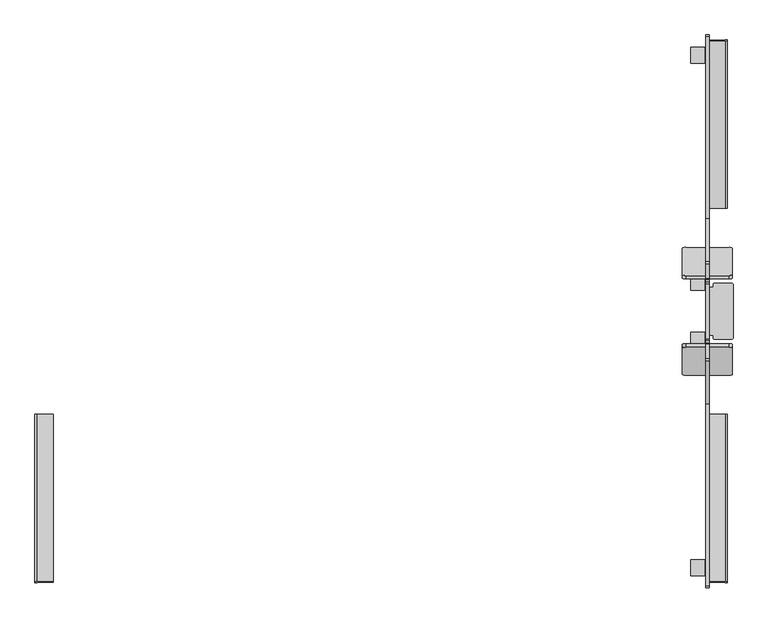
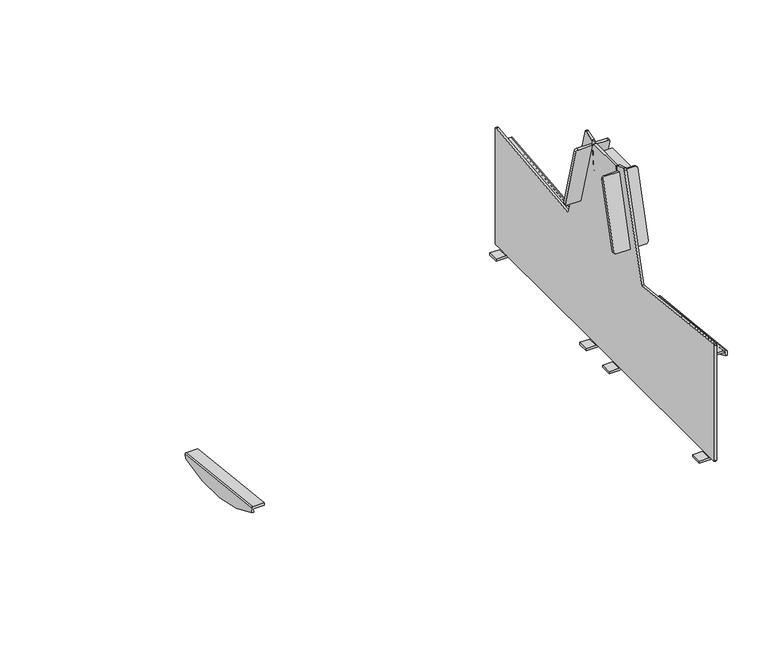
"""IFC4 building model written with IfcOpenShell, lengths in millimetres: furniture geometry."""

from ifc_helpers import new_model, si_unit, frame, origin, place, context, project, spatial, polyline, circle_curve, source, transform, mapped, element, save
from ifc_brep_helpers import plane_surface, cylinder_surface, revolved_surface, advanced_brep


def furniture_265c2954(model_context):
    return source(origin(), model_context, "Body", "AdvancedBrep", [
        advanced_brep(
        [(867.597952, -333.3438949, 454.8824491), (867.597952, -333.3438949, 13.9003186), (867.597952, -329.4374846, 9.9939083), (867.597952, -303.3438949, 9.9939083), (867.597952, -303.3438949, 8.2703475), (867.597952, -263.3438949, 8.2703475), (867.597952, -263.3438949, 9.9939083), (867.597952, 263.3438949, 9.9939083), (867.597952, 263.3438949, 8.2703475), (867.597952, 303.3438949, 8.2703475), (867.597952, 303.3438949, 9.9939083), (867.597952, 407.6111261, 9.9939083), (867.597952, 407.6111261, 8.2703475), (867.597952, 447.6111261, 8.2703475), (867.597952, 447.6111261, 9.9939083), (867.597952, 974.2989159, 9.9939083), (867.597952, 974.2989159, 8.2703475), (867.597952, 1014.2989159, 8.2703475), (867.597952, 1014.2989159, 9.9939083), (867.597952, 1040.3925056, 9.9939083), (867.597952, 1044.2989159, 13.9003186), (867.597952, 1044.2989159, 454.8824491), (867.597952, 1039.4826807, 459.1940384), (867.597952, 586.9512474, 409.002818), (867.597952, 478.9250607, 786.3524949), (867.597952, 472.6246428, 789.7481242), (867.597952, 436.6081723, 778.4752692), (867.597952, 433.7983215, 774.9551128), (867.597952, 425.5976684, 672.4633825), (867.597952, 421.2778004, 672.4633825), (867.597952, 428.3475476, 765.7728245), (867.597952, 424.3833987, 770.0454777), (867.597952, 286.9551141, 769.9426196), (867.597952, 282.9975324, 765.6679227), (867.597952, 290.1186906, 672.4633825), (867.597952, 285.3573526, 672.4633825), (867.597952, 277.1566995, 774.9551128), (867.597952, 274.3468487, 778.4752692), (867.597952, 238.3303782, 789.7481242), (867.597952, 232.0299603, 786.3524949), (867.597952, 124.0037736, 409.002818), (867.597952, -328.5276597, 459.1940384), (867.597952, 1029.8652657, 412.772865), (867.597952, 1030.6743217, 405.3521172), (867.597952, 613.013939, 359.8161902), (867.597952, 612.2048831, 367.236938), (867.597952, -319.7193007, 405.3521172), (867.597952, -318.9102447, 412.772865), (867.597952, 98.750138, 367.236938), (867.597952, 97.941082, 359.8161902), (867.597952, 274.7465362, 758.1308279), (867.597952, 204.7655965, 503.57452), (867.597952, 196.4909723, 505.8493251), (867.597952, 266.471912, 760.4056329), (867.597952, 506.1894245, 503.57452), (867.597952, 436.2084848, 758.1308279), (867.597952, 444.483109, 760.4056329), (867.597952, 514.4640487, 505.8493251), (867.597952, 295.4775105, 730.7455365), (867.597952, 415.4775105, 730.7455365), (867.597952, 415.4775105, 720.7455365), (867.597952, 295.4775105, 720.7455365), (859.6028254, -333.3438949, 454.8824491), (859.6028254, -328.5276597, 459.1940384), (859.6028254, 124.0037736, 409.002818), (859.6028254, 232.0299603, 786.3524949), (859.6028254, 238.3303782, 789.7481242), (859.6028254, 274.3468487, 778.4752692), (859.6028254, 277.1566995, 774.9551128), (859.6028254, 285.3573526, 672.4633825), (859.6028254, 290.1186906, 672.4633825), (859.6028254, 282.9975324, 765.6679227), (859.6028254, 286.9551141, 769.9426196), (859.6028254, 424.3833987, 770.0454777), (859.6028254, 428.3475476, 765.7728245), (859.6028254, 421.2778004, 672.4633825), (859.6028254, 425.5976684, 672.4633825), (859.6028254, 433.7983215, 774.9551128), (859.6028254, 436.6081723, 778.4752692), (859.6028254, 472.6246428, 789.7481242), (859.6028254, 478.9250607, 786.3524949), (859.6028254, 586.9512474, 409.002818), (859.6028254, 1039.4826807, 459.1940384), (859.6028254, 1044.2989159, 454.8824491), (859.6028254, 1044.2989159, 13.9003186), (859.6028254, 1040.3925056, 9.9939083), (859.6028254, 1014.2989159, 9.9939083), (859.6028254, 974.2989159, 9.9939083), (859.6028254, 447.6111261, 9.9939083), (859.6028254, 407.6111261, 9.9939083), (859.6028254, 303.3438949, 9.9939083), (859.6028254, 263.3438949, 9.9939083), (859.6028254, -263.3438949, 9.9939083), (859.6028254, -303.3438949, 9.9939083), (859.6028254, -329.4374846, 9.9939083), (859.6028254, -333.3438949, 13.9003186), (859.6028254, 204.7656711, 503.5744995), (859.6028254, 274.7466108, 758.1308073), (859.6028254, 266.471912, 760.4056329), (859.6028254, 196.491047, 505.8493045), (859.6028254, 436.2084102, 758.1308073), (859.6028254, 506.1893499, 503.5744995), (859.6028254, 514.4640204, 505.8494279), (859.6028254, 444.4830343, 760.4056124), (913.5831908, -321.0984876, 392.7020678), (913.5831908, 96.5595156, 347.1443157), (913.5831908, 98.3166022, 363.2605016), (913.5831908, -319.3437805, 408.7964286), (907.5875968, 96.5595156, 347.1443157), (907.5875968, -321.0984876, 392.7020678), (907.5875968, -319.8223825, 404.4066392), (907.5875968, 97.8380001, 358.8707122), (909.5831908, -318.9102447, 412.772865), (906.6365161, -319.7193007, 405.3521172), (906.6365161, 97.941082, 359.8161902), (909.5831908, 98.750138, 367.236938), (909.5831908, 1029.8652657, 412.772865), (913.5831908, 1030.2988015, 408.7964286), (913.5831908, 1030.8114815, 404.0940726), (913.5831908, 1032.0535086, 392.7020678), (907.5875968, 1032.0535086, 392.7020678), (907.5875968, 1030.7774035, 404.4066392), (906.6365161, 1030.6743217, 405.3521172), (906.6365161, 613.013939, 359.8161902), (907.5875968, 613.1170209, 358.8707122), (907.5875968, 614.3955054, 347.1443157), (913.5831908, 614.3955054, 347.1443157), (913.5831908, 613.1510989, 358.5581456), (913.5831908, 612.6384188, 363.2605016), (909.5831908, 612.2048831, 367.236938), (917.9539457, 274.6803491, 758.1490236), (925.9539382, 272.5492033, 750.4381004), (925.9539382, 206.4783878, 510.1049054), (918.0226676, 204.6742237, 503.5014558), (918.0109696, 196.3996149, 505.7762566), (925.9422403, 198.2037791, 512.3797062), (925.9422403, 264.2745945, 752.7129012), (917.9422477, 266.4057403, 760.4238244), (918.0226676, 506.2807973, 503.5014558), (925.9539382, 504.4766332, 510.1049054), (925.9539382, 438.4058177, 750.4381004), (917.9539457, 436.2746719, 758.1490236), (917.9422477, 444.5492807, 760.4238244), (925.9422403, 446.6804265, 752.7129012), (925.9422403, 512.7512419, 512.3797062), (918.0109696, 514.5554061, 505.7762566), (927.5685154, 421.4776321, 730.7455365), (923.5685154, 425.4776321, 730.7455365), (881.5685154, 425.4776321, 730.7455365), (877.5685154, 421.4776321, 730.7455365), (877.5685154, 415.4775105, 730.7455365), (877.5685154, 295.4775105, 730.7455365), (877.5685154, 289.4776321, 730.7455365), (881.5685154, 285.4776321, 730.7455365), (923.5685154, 285.4776321, 730.7455365), (927.5685154, 289.4776321, 730.7455365), (927.5685154, 421.4776321, 720.7455365), (927.5685154, 289.4776321, 720.7455365), (923.5685154, 285.4776321, 720.7455365), (881.5685154, 285.4776321, 720.7455365), (877.5685154, 289.4776321, 720.7455365), (877.5685154, 295.4775105, 720.7455365), (877.5685154, 415.4775105, 720.7455365), (877.5685154, 421.4776321, 720.7455365), (881.5685154, 425.4776321, 720.7455365), (923.5685154, 425.4776321, 720.7455365), (809.1212977, 204.6742237, 503.5014558), (801.190027, 206.4783878, 510.1049054), (801.190027, 272.5492033, 750.4381004), (809.1900196, 274.6803491, 758.1490236), (809.2017175, 266.4057403, 760.4238244), (801.201725, 264.2745945, 752.7129012), (801.201725, 198.2037791, 512.3797062), (809.1329957, 196.3996149, 505.7762566), (809.1900196, 436.2746719, 758.1490236), (801.190027, 438.4058177, 750.4381004), (801.190027, 504.4766332, 510.1049054), (809.1212977, 506.2807973, 503.5014558), (809.1329957, 514.5554061, 505.7762566), (801.201725, 512.7512419, 512.3797062), (801.201725, 446.6804265, 752.7129012), (809.2017175, 444.5492807, 760.4238244), (858.6003844, -303.3438949, 8.0), (821.9566967, -303.3438949, 8.0), (821.9566967, -303.3438949, 0.0), (859.6603529, -303.3438949, 0.0), (859.6350395, -303.3438949, 9.0714168), (858.6003844, -263.3438949, 8.0), (859.6350395, -263.3438949, 9.0714168), (859.6603529, -263.3438949, 0.0), (821.9566967, -263.3438949, 0.0), (821.9566967, -263.3438949, 8.0), (858.6003844, 303.3438949, 8.0), (859.6350395, 303.3438949, 9.0714168), (859.6603529, 303.3438949, 0.0), (821.9566967, 303.3438949, 0.0), (821.9566967, 303.3438949, 8.0), (858.6003844, 263.3438949, 8.0), (821.9566967, 263.3438949, 8.0), (821.9566967, 263.3438949, 0.0), (859.6603529, 263.3438949, 0.0), (859.6350395, 263.3438949, 9.0714168), (858.6003844, 407.6111261, 8.0), (821.9566967, 407.6111261, 8.0), (821.9566967, 407.6111261, 0.0), (859.6603529, 407.6111261, 0.0), (859.6350395, 407.6111261, 9.0714168), (858.6003844, 447.6111261, 8.0), (859.6350395, 447.6111261, 9.0714168), (859.6603529, 447.6111261, 0.0), (821.9566967, 447.6111261, 0.0), (821.9566967, 447.6111261, 8.0), (858.6003844, 1014.2989159, 8.0), (859.6350395, 1014.2989159, 9.0714168), (859.6603529, 1014.2989159, 0.0), (821.9566967, 1014.2989159, 0.0), (821.9566967, 1014.2989159, 8.0), (858.6003844, 974.2989159, 8.0), (821.9566967, 974.2989159, 8.0), (821.9566967, 974.2989159, 0.0), (859.6603529, 974.2989159, 0.0), (859.6350395, 974.2989159, 9.0714168)],
        [
            (0, 1),
            (1, 2, circle_curve(frame((867.597952, -329.4374846, 13.9003186), z_axis=(1.0, 0.0, 0.0), x_axis=(0.0, 1.0, 0.0)), 3.9064104)),
            (2, 3),
            (3, 4),
            (4, 5),
            (5, 6),
            (6, 7),
            (7, 8),
            (8, 9),
            (9, 10),
            (10, 11),
            (11, 12),
            (12, 13),
            (13, 14),
            (14, 15),
            (15, 16),
            (16, 17),
            (17, 18),
            (18, 19),
            (19, 20, circle_curve(frame((867.597952, 1040.3925056, 13.9003186), z_axis=(1.0, 0.0, 0.0), x_axis=(0.0, -1.0, 0.0)), 3.9064104)),
            (20, 21),
            (21, 22, circle_curve(frame((867.597952, 1039.9608882, 454.8824491), z_axis=(1.0, 0.0, 0.0), x_axis=(0.0, -1.0, 0.0)), 4.3380277)),
            (22, 23),
            (23, 24),
            (24, 25, circle_curve(frame((867.597952, 474.118155, 784.9763928), z_axis=(1.0, 0.0, 0.0), x_axis=(0.0, -1.0, 0.0)), 5.0)),
            (25, 26),
            (26, 27, circle_curve(frame((867.597952, 437.8104285, 774.6340928), z_axis=(1.0, 0.0, 0.0), x_axis=(0.0, -1.0, 0.0)), 4.0249293)),
            (27, 28),
            (28, 29),
            (29, 30),
            (30, 31, circle_curve(frame((867.597952, 424.3863719, 766.0729497), z_axis=(1.0, 0.0, 0.0), x_axis=(0.0, -1.0, 0.0)), 3.9725291)),
            (31, 32),
            (32, 33, circle_curve(frame((867.597952, 286.958087, 765.9705231), z_axis=(1.0, 0.0, 0.0), x_axis=(0.0, -1.0, 0.0)), 3.9720976)),
            (33, 34),
            (34, 35),
            (35, 36),
            (36, 37, circle_curve(frame((867.597952, 273.1445925, 774.6340928), z_axis=(1.0, 0.0, 0.0), x_axis=(0.0, 1.0, 0.0)), 4.0249293)),
            (37, 38),
            (38, 39, circle_curve(frame((867.597952, 236.836866, 784.9763928), z_axis=(1.0, 0.0, 0.0), x_axis=(0.0, 1.0, 0.0)), 5.0)),
            (39, 40),
            (40, 41),
            (41, 0, circle_curve(frame((867.597952, -329.0058672, 454.8824491), z_axis=(1.0, 0.0, 0.0), x_axis=(0.0, 1.0, 0.0)), 4.3380277)),
            (42, 43),
            (43, 44),
            (44, 45),
            (45, 42),
            (46, 47),
            (47, 48),
            (48, 49),
            (49, 46),
            (50, 51),
            (51, 52),
            (52, 53),
            (53, 50),
            (54, 55),
            (55, 56),
            (56, 57),
            (57, 54),
            (58, 59),
            (59, 60),
            (60, 61),
            (61, 58),
            (62, 63, circle_curve(frame((859.6028254, -329.0058672, 454.8824491), z_axis=(-1.0, 0.0, 0.0), x_axis=(0.0, 1.0, 0.0)), 4.3380277)),
            (63, 64),
            (64, 65),
            (65, 66, circle_curve(frame((859.6028254, 236.836866, 784.9763928), z_axis=(-1.0, 0.0, 0.0), x_axis=(0.0, 1.0, 0.0)), 5.0)),
            (66, 67),
            (67, 68, circle_curve(frame((859.6028254, 273.1445925, 774.6340928), z_axis=(-1.0, 0.0, 0.0), x_axis=(0.0, 1.0, 0.0)), 4.0249293)),
            (68, 69),
            (69, 70),
            (70, 71),
            (71, 72, circle_curve(frame((859.6028254, 286.958087, 765.9705231), z_axis=(-1.0, 0.0, 0.0), x_axis=(0.0, -1.0, 0.0)), 3.9720976)),
            (72, 73),
            (73, 74, circle_curve(frame((859.6028254, 424.3863719, 766.0729497), z_axis=(-1.0, 0.0, 0.0), x_axis=(0.0, -1.0, 0.0)), 3.9725291)),
            (74, 75),
            (75, 76),
            (76, 77),
            (77, 78, circle_curve(frame((859.6028254, 437.8104285, 774.6340928), z_axis=(-1.0, 0.0, 0.0), x_axis=(0.0, -1.0, 0.0)), 4.0249293)),
            (78, 79),
            (79, 80, circle_curve(frame((859.6028254, 474.118155, 784.9763928), z_axis=(-1.0, 0.0, 0.0), x_axis=(0.0, -1.0, 0.0)), 5.0)),
            (80, 81),
            (81, 82),
            (82, 83, circle_curve(frame((859.6028254, 1039.9608882, 454.8824491), z_axis=(-1.0, 0.0, 0.0), x_axis=(0.0, -1.0, 0.0)), 4.3380277)),
            (83, 84),
            (84, 85, circle_curve(frame((859.6028254, 1040.3925056, 13.9003186), z_axis=(-1.0, 0.0, 0.0), x_axis=(0.0, -1.0, 0.0)), 3.9064104)),
            (85, 86),
            (86, 87),
            (87, 88),
            (88, 89),
            (89, 90),
            (90, 91),
            (91, 92),
            (92, 93),
            (93, 94),
            (94, 95, circle_curve(frame((859.6028254, -329.4374846, 13.9003186), z_axis=(-1.0, 0.0, 0.0), x_axis=(0.0, 1.0, 0.0)), 3.9064104)),
            (95, 62),
            (96, 97),
            (97, 98),
            (98, 99),
            (99, 96),
            (100, 101),
            (101, 102),
            (102, 103),
            (103, 100),
            (0, 62),
            (95, 1),
            (94, 2),
            (93, 3),
            (85, 19),
            (18, 86),
            (6, 92),
            (91, 7),
            (10, 90),
            (89, 11),
            (14, 88),
            (87, 15),
            (68, 36),
            (35, 69),
            (67, 37),
            (66, 38),
            (65, 39),
            (64, 40),
            (63, 41),
            (104, 105, circle_curve(frame((913.5831908, -59.7670647, 851.2475639), z_axis=(1.0, 0.0, 0.0), x_axis=(0.0, -1.0, 0.0)), 527.7860216)),
            (105, 106),
            (106, 107),
            (107, 104),
            (108, 109, circle_curve(frame((907.5875968, -59.7670647, 851.2475639), z_axis=(-1.0, 0.0, 0.0), x_axis=(0.0, -1.0, 0.0)), 527.7860216)),
            (109, 110),
            (110, 111),
            (111, 108),
            (109, 104),
            (107, 112, circle_curve(frame((909.5831908, -319.3437805, 408.7964286), z_axis=(0.0, -0.9941091089617909, 0.10838394474826071), x_axis=(0.0, -0.10838394474826071, -0.9941091089617909)), 4.0)),
            (112, 47),
            (46, 113),
            (113, 110, circle_curve(frame((906.6365161, -319.8223825, 404.4066392), z_axis=(0.0, 0.9941091089617909, -0.10838394474826071), x_axis=(0.0, -0.10838394474826071, -0.9941091089617909)), 0.9510807)),
            (108, 105),
            (111, 114, circle_curve(frame((906.6365161, 97.8380001, 358.8707122), z_axis=(0.0, -0.9941091089617909, 0.10838394474826071), x_axis=(0.0, -0.10838394474826071, -0.9941091089617909)), 0.9510807)),
            (114, 49),
            (48, 115),
            (115, 106, circle_curve(frame((909.5831908, 98.3166022, 363.2605016), z_axis=(0.0, 0.9941091089617909, -0.10838394474826071), x_axis=(0.0, -0.10838394474826071, -0.9941091089617909)), 4.0)),
            (34, 70),
            (28, 76),
            (75, 29),
            (20, 84),
            (83, 21),
            (27, 77),
            (26, 78),
            (25, 79),
            (24, 80),
            (23, 81),
            (22, 82),
            (74, 30),
            (73, 31),
            (72, 32),
            (71, 33),
            (42, 116),
            (116, 117, circle_curve(frame((909.5831908, 1030.2988015, 408.7964286), z_axis=(0.0, 0.9941091089617909, 0.10838394474826071), x_axis=(0.0, 0.10838394474826071, -0.9941091089617909)), 4.0)),
            (117, 118),
            (118, 119),
            (119, 120),
            (120, 121),
            (121, 122, circle_curve(frame((906.6365161, 1030.7774035, 404.4066392), z_axis=(0.0, -0.9941091089617909, -0.10838394474826071), x_axis=(0.0, 0.10838394474826071, -0.9941091089617909)), 0.9510807)),
            (122, 43),
            (44, 123),
            (123, 124, circle_curve(frame((906.6365161, 613.1170209, 358.8707122), z_axis=(0.0, 0.9941091089617909, 0.10838394474826071), x_axis=(0.0, 0.10838394474826071, -0.9941091089617909)), 0.9510807)),
            (124, 125),
            (125, 126),
            (126, 127),
            (127, 128),
            (128, 129, circle_curve(frame((909.5831908, 612.6384188, 363.2605016), z_axis=(0.0, -0.9941091089617909, -0.10838394474826071), x_axis=(0.0, 0.10838394474826071, -0.9941091089617909)), 4.0)),
            (129, 45),
            (122, 123),
            (121, 124),
            (120, 125, circle_curve(frame((907.5875968, 770.7220857, 851.2475639), z_axis=(-1.0, 0.0, 0.0), x_axis=(0.0, 1.0, 0.0)), 527.7860216)),
            (118, 127),
            (126, 119, circle_curve(frame((913.5831908, 770.7220857, 851.2475639), z_axis=(1.0, 0.0, 0.0), x_axis=(0.0, 1.0, 0.0)), 527.7860216)),
            (117, 128),
            (116, 129),
            (114, 113),
            (115, 112),
            (50, 130),
            (130, 131, circle_curve(frame((917.9539457, 272.5597183, 750.4352097), z_axis=(0.0013631459484884346, 0.9642258427672697, -0.2650786033856215), x_axis=(-0.9999990709161299, 0.001314381772166968, -0.0003613411599522734)), 8.0)),
            (131, 132),
            (132, 133, circle_curve(frame((918.0376908, 206.794831, 511.2152616), z_axis=(0.0013631459484884437, 0.9642258427672697, -0.2650786033856214), x_axis=(0.1443145567522505, 0.26211427827888556, 0.9541852093968657)), 8.0)),
            (133, 51),
            (52, 134),
            (134, 135, circle_curve(frame((918.0259929, 198.5202222, 513.4900624), z_axis=(-0.0013631459484884437, -0.9642258427672697, 0.2650786033856214), x_axis=(0.1443145567522505, 0.26211427827888556, 0.9541852093968657)), 8.0)),
            (135, 136),
            (136, 137, circle_curve(frame((917.9422477, 264.2851095, 752.7100105), z_axis=(-0.0013631459484884346, -0.9642258427672697, 0.2650786033856215), x_axis=(-0.9999990709161299, 0.001314381772166968, -0.0003613411599522734)), 8.0)),
            (137, 53),
            (132, 135),
            (134, 133),
            (131, 136),
            (130, 137),
            (54, 138),
            (138, 139, circle_curve(frame((918.0376908, 504.16019, 511.2152616), z_axis=(0.0013631459484884437, -0.9642258427672697, -0.2650786033856214), x_axis=(0.1443145567522505, -0.26211427827888556, 0.9541852093968657)), 8.0)),
            (139, 140),
            (140, 141, circle_curve(frame((917.9539457, 438.3953027, 750.4352097), z_axis=(0.0013631459484884346, -0.9642258427672697, -0.2650786033856215), x_axis=(-0.9999990709161299, -0.001314381772166968, -0.0003613411599522734)), 8.0)),
            (141, 55),
            (56, 142),
            (142, 143, circle_curve(frame((917.9422477, 446.6699115, 752.7100105), z_axis=(-0.0013631459484884346, 0.9642258427672697, 0.2650786033856215), x_axis=(-0.9999990709161299, -0.001314381772166968, -0.0003613411599522734)), 8.0)),
            (143, 144),
            (144, 145, circle_curve(frame((918.0259929, 512.4347988, 513.4900624), z_axis=(-0.0013631459484884437, 0.9642258427672697, 0.2650786033856214), x_axis=(0.1443145567522505, -0.26211427827888556, 0.9541852093968657)), 8.0)),
            (145, 57),
            (138, 145),
            (144, 139),
            (143, 140),
            (142, 141),
            (146, 147, circle_curve(frame((923.5685154, 421.4776321, 730.7455365), z_axis=(0.0, 0.0, 1.0), x_axis=(1.0, 0.0, 0.0)), 4.0)),
            (147, 148),
            (148, 149, circle_curve(frame((881.5685154, 421.4776321, 730.7455365), z_axis=(0.0, 0.0, 1.0), x_axis=(1.0, 0.0, 0.0)), 4.0)),
            (149, 150),
            (150, 59),
            (58, 151),
            (151, 152),
            (152, 153, circle_curve(frame((881.5685154, 289.4776321, 730.7455365), z_axis=(0.0, 0.0, 1.0), x_axis=(1.0, 0.0, 0.0)), 4.0)),
            (153, 154),
            (154, 155, circle_curve(frame((923.5685154, 289.4776321, 730.7455365), z_axis=(0.0, 0.0, 1.0), x_axis=(1.0, 0.0, 0.0)), 4.0)),
            (155, 146),
            (156, 157),
            (157, 158, circle_curve(frame((923.5685154, 289.4776321, 720.7455365), z_axis=(0.0, 0.0, -1.0), x_axis=(1.0, 0.0, 0.0)), 4.0)),
            (158, 159),
            (159, 160, circle_curve(frame((881.5685154, 289.4776321, 720.7455365), z_axis=(0.0, 0.0, -1.0), x_axis=(1.0, 0.0, 0.0)), 4.0)),
            (160, 161),
            (161, 61),
            (60, 162),
            (162, 163),
            (163, 164, circle_curve(frame((881.5685154, 421.4776321, 720.7455365), z_axis=(0.0, 0.0, -1.0), x_axis=(1.0, 0.0, 0.0)), 4.0)),
            (164, 165),
            (165, 156, circle_curve(frame((923.5685154, 421.4776321, 720.7455365), z_axis=(0.0, 0.0, -1.0), x_axis=(1.0, 0.0, 0.0)), 4.0)),
            (146, 156),
            (165, 147),
            (164, 148),
            (163, 149),
            (162, 150),
            (161, 151),
            (160, 152),
            (159, 153),
            (158, 154),
            (157, 155),
            (96, 166),
            (166, 167, circle_curve(frame((809.1062744, 206.794831, 511.2152616), z_axis=(-0.0013631459484884367, 0.9642258427672697, -0.26507860338562145), x_axis=(-0.14431455675225052, 0.2621142782788856, 0.9541852093968657)), 8.0)),
            (167, 168),
            (168, 169, circle_curve(frame((809.1900196, 272.5597183, 750.4352097), z_axis=(-0.0013631459484884296, 0.9642258427672696, -0.2650786033856215), x_axis=(0.9999990709161299, 0.0013143817721669488, -0.0003613411599523246)), 8.0)),
            (169, 97),
            (98, 170),
            (170, 171, circle_curve(frame((809.2017175, 264.2851095, 752.7100105), z_axis=(0.0013631459484884296, -0.9642258427672696, 0.2650786033856215), x_axis=(0.9999990709161299, 0.0013143817721669488, -0.0003613411599523246)), 8.0)),
            (171, 172),
            (172, 173, circle_curve(frame((809.1179724, 198.5202222, 513.4900624), z_axis=(0.0013631459484884367, -0.9642258427672697, 0.26507860338562145), x_axis=(-0.14431455675225052, 0.2621142782788856, 0.9541852093968657)), 8.0)),
            (173, 99),
            (166, 173),
            (172, 167),
            (171, 168),
            (170, 169),
            (100, 174),
            (174, 175, circle_curve(frame((809.1900196, 438.3953027, 750.4352097), z_axis=(-0.0013631459484884296, -0.9642258427672696, -0.2650786033856215), x_axis=(0.9999990709161299, -0.0013143817721669488, -0.0003613411599523246)), 8.0)),
            (175, 176),
            (176, 177, circle_curve(frame((809.1062744, 504.16019, 511.2152616), z_axis=(-0.0013631459484884367, -0.9642258427672697, -0.26507860338562145), x_axis=(-0.14431455675225052, -0.2621142782788856, 0.9541852093968657)), 8.0)),
            (177, 101),
            (102, 178),
            (178, 179, circle_curve(frame((809.1179724, 512.4347988, 513.4900624), z_axis=(0.0013631459484884367, 0.9642258427672697, 0.26507860338562145), x_axis=(-0.14431455675225052, -0.2621142782788856, 0.9541852093968657)), 8.0)),
            (179, 180),
            (180, 181, circle_curve(frame((809.2017175, 446.6699115, 752.7100105), z_axis=(0.0013631459484884296, 0.9642258427672696, 0.2650786033856215), x_axis=(0.9999990709161299, -0.0013143817721669488, -0.0003613411599523246)), 8.0)),
            (181, 103),
            (176, 179),
            (178, 177),
            (175, 180),
            (174, 181),
            (182, 183),
            (183, 184),
            (184, 185),
            (185, 4, circle_curve(frame((859.32063, -303.3438949, 8.2703475), z_axis=(0.0, -1.0, 0.0), x_axis=(-1.0, 0.0, 0.0)), 8.277322)),
            (93, 186),
            (186, 182, circle_curve(frame((858.6003844, -303.3438949, 9.0352858), z_axis=(0.0, 1.0, 0.0), x_axis=(-1.0, 0.0, 0.0)), 1.0352858)),
            (187, 188, circle_curve(frame((858.6003844, -263.3438949, 9.0352858), z_axis=(0.0, -1.0, 0.0), x_axis=(-1.0, 0.0, 0.0)), 1.0352858)),
            (188, 92),
            (5, 189, circle_curve(frame((859.32063, -263.3438949, 8.2703475), z_axis=(0.0, 1.0, 0.0), x_axis=(-1.0, 0.0, 0.0)), 8.277322)),
            (189, 190),
            (190, 191),
            (191, 187),
            (186, 188),
            (187, 182),
            (184, 190),
            (189, 185),
            (183, 191),
            (192, 193, circle_curve(frame((858.6003844, 303.3438949, 9.0352858), z_axis=(0.0, -1.0, 0.0), x_axis=(-1.0, 0.0, 0.0)), 1.0352858)),
            (193, 90),
            (9, 194, circle_curve(frame((859.32063, 303.3438949, 8.2703475), z_axis=(0.0, 1.0, 0.0), x_axis=(-1.0, 0.0, 0.0)), 8.277322)),
            (194, 195),
            (195, 196),
            (196, 192),
            (197, 198),
            (198, 199),
            (199, 200),
            (200, 8, circle_curve(frame((859.32063, 263.3438949, 8.2703475), z_axis=(0.0, -1.0, 0.0), x_axis=(-1.0, 0.0, 0.0)), 8.277322)),
            (91, 201),
            (201, 197, circle_curve(frame((858.6003844, 263.3438949, 9.0352858), z_axis=(0.0, 1.0, 0.0), x_axis=(-1.0, 0.0, 0.0)), 1.0352858)),
            (192, 197),
            (201, 193),
            (194, 200),
            (199, 195),
            (198, 196),
            (202, 203),
            (203, 204),
            (204, 205),
            (205, 12, circle_curve(frame((859.32063, 407.6111261, 8.2703475), z_axis=(0.0, -1.0, 0.0), x_axis=(-1.0, 0.0, 0.0)), 8.277322)),
            (89, 206),
            (206, 202, circle_curve(frame((858.6003844, 407.6111261, 9.0352858), z_axis=(0.0, 1.0, 0.0), x_axis=(-1.0, 0.0, 0.0)), 1.0352858)),
            (207, 208, circle_curve(frame((858.6003844, 447.6111261, 9.0352858), z_axis=(0.0, -1.0, 0.0), x_axis=(-1.0, 0.0, 0.0)), 1.0352858)),
            (208, 88),
            (13, 209, circle_curve(frame((859.32063, 447.6111261, 8.2703475), z_axis=(0.0, 1.0, 0.0), x_axis=(-1.0, 0.0, 0.0)), 8.277322)),
            (209, 210),
            (210, 211),
            (211, 207),
            (206, 208),
            (207, 202),
            (204, 210),
            (209, 205),
            (203, 211),
            (212, 213, circle_curve(frame((858.6003844, 1014.2989159, 9.0352858), z_axis=(0.0, -1.0, 0.0), x_axis=(-1.0, 0.0, 0.0)), 1.0352858)),
            (213, 86),
            (17, 214, circle_curve(frame((859.32063, 1014.2989159, 8.2703475), z_axis=(0.0, 1.0, 0.0), x_axis=(-1.0, 0.0, 0.0)), 8.277322)),
            (214, 215),
            (215, 216),
            (216, 212),
            (217, 218),
            (218, 219),
            (219, 220),
            (220, 16, circle_curve(frame((859.32063, 974.2989159, 8.2703475), z_axis=(0.0, -1.0, 0.0), x_axis=(-1.0, 0.0, 0.0)), 8.277322)),
            (87, 221),
            (221, 217, circle_curve(frame((858.6003844, 974.2989159, 9.0352858), z_axis=(0.0, 1.0, 0.0), x_axis=(-1.0, 0.0, 0.0)), 1.0352858)),
            (212, 217),
            (221, 213),
            (214, 220),
            (219, 215),
            (218, 216),
        ],
        [
            plane_surface(frame((867.597952, -333.3438949, 13.9914716), z_axis=(1.0, 0.0, 0.0), x_axis=(0.0, 0.0, -1.0))),
            plane_surface(frame((859.6028254, -333.3438949, 13.9914716), z_axis=(-1.0, 0.0, 0.0), x_axis=(0.0, 0.0, 1.0))),
            plane_surface(frame((867.597952, -333.3438949, 454.8824491), z_axis=(0.0, -1.0, 0.0), x_axis=(-1.0, 0.0, 0.0))),
            cylinder_surface(frame((859.6028254, -329.4374846, 13.9003186), z_axis=(1.0, 0.0, 0.0), x_axis=(0.0, 1.0, 0.0)), 3.9064104),
            plane_surface(frame((867.597952, -329.4374846, 9.9939083), z_axis=(0.0, 0.0, -1.0), x_axis=(-1.0, 0.0, 0.0))),
            plane_surface(frame((867.597952, 337.9730339, 14.8728063), z_axis=(0.0, 0.9968142620318139, 0.07975792756817575), x_axis=(-1.0, 0.0, 0.0))),
            cylinder_surface(frame((859.6028254, 273.1445925, 774.6340928), z_axis=(1.0, 0.0, 0.0), x_axis=(0.0, 1.0, 0.0)), 4.0249293),
            plane_surface(frame((867.597952, 274.3468487, 778.4752692), z_axis=(0.0, 0.2987024356250177, 0.9543462971855039), x_axis=(-1.0, 0.0, 0.0))),
            cylinder_surface(frame((859.6028254, 236.836866, 784.9763928), z_axis=(1.0, 0.0, 0.0), x_axis=(0.0, 1.0, 0.0)), 5.0),
            plane_surface(frame((867.597952, 232.0299603, 786.3524949), z_axis=(0.0, -0.9613811502291254, 0.275220427992044), x_axis=(-1.0, 0.0, 0.0))),
            plane_surface(frame((867.597952, 124.0037736, 409.002818), z_axis=(0.0, 0.1102361569197732, 0.9939054229188807), x_axis=(-1.0, 0.0, 0.0))),
            cylinder_surface(frame((859.6028254, -329.0058672, 454.8824491), z_axis=(1.0, 0.0, 0.0), x_axis=(0.0, 1.0, 0.0)), 4.3380277),
            plane_surface(frame((913.5831908, -319.8564605, 404.0940726), z_axis=(1.0, 0.0, 0.0), x_axis=(0.0, -0.10838394474826007, -0.994109108961791))),
            plane_surface(frame((907.5875968, -319.8564605, 404.0940726), z_axis=(-1.0, 0.0, 0.0), x_axis=(0.0, 0.10838394474826007, 0.994109108961791))),
            plane_surface(frame((913.5831908, -319.8564605, 404.0940726), z_axis=(0.0, -0.994109108961791, 0.10838394474826007), x_axis=(-1.0, 0.0, 0.0))),
            cylinder_surface(frame((907.5875968, -59.7670647, 851.2475639), z_axis=(1.0, 0.0, 0.0), x_axis=(0.0, -1.0, 0.0)), 527.7860216),
            plane_surface(frame((913.5831908, 96.5595156, 347.1443157), z_axis=(0.0, 0.9941091089617916, -0.10838394474825458), x_axis=(-1.0, 0.0, 0.0))),
            plane_surface(frame((867.597952, 445.569695, 672.4633825), z_axis=(0.0, 0.0, 1.0), x_axis=(-1.0, 0.0, 0.0))),
            plane_surface(frame((867.597952, 1044.2989159, 13.9003186), z_axis=(0.0, 1.0, 0.0), x_axis=(-1.0, 0.0, 0.0))),
            cylinder_surface(frame((859.6028254, 1040.3925056, 13.9003186), z_axis=(1.0, 0.0, 0.0), x_axis=(0.0, -1.0, 0.0)), 3.9064104),
            plane_surface(frame((867.597952, 433.7983215, 774.9551128), z_axis=(0.0, -0.9968142620318139, 0.07975792756817576), x_axis=(-1.0, 0.0, 0.0))),
            cylinder_surface(frame((859.6028254, 437.8104285, 774.6340928), z_axis=(1.0, 0.0, 0.0), x_axis=(0.0, -1.0, 0.0)), 4.0249293),
            plane_surface(frame((867.597952, 472.6246428, 789.7481242), z_axis=(0.0, -0.2987024356250177, 0.9543462971855039), x_axis=(-1.0, 0.0, 0.0))),
            cylinder_surface(frame((859.6028254, 474.118155, 784.9763928), z_axis=(1.0, 0.0, 0.0), x_axis=(0.0, -1.0, 0.0)), 5.0),
            plane_surface(frame((867.597952, 586.9512474, 409.002818), z_axis=(0.0, 0.9613811502291253, 0.2752204279920443), x_axis=(-1.0, 0.0, 0.0))),
            plane_surface(frame((867.597952, 1039.4826807, 459.1940384), z_axis=(0.0, -0.1102361569197732, 0.9939054229188807), x_axis=(-1.0, 0.0, 0.0))),
            cylinder_surface(frame((859.6028254, 1039.9608882, 454.8824491), z_axis=(1.0, 0.0, 0.0), x_axis=(0.0, -1.0, 0.0)), 4.3380277),
            plane_surface(frame((859.6028254, 428.3475476, 765.7728245), z_axis=(0.0, 0.9971420037159096, -0.0755501451052288), x_axis=(1.0, 0.0, 0.0))),
            cylinder_surface(frame((867.597952, 424.3863719, 766.0729497), z_axis=(-1.0, 0.0, 0.0), x_axis=(0.0, -1.0, 0.0)), 3.9725291),
            plane_surface(frame((859.6028254, 286.9551141, 769.9426196), z_axis=(0.0, -0.0007484487791834683, 0.9999997199121733), x_axis=(1.0, 0.0, 0.0))),
            cylinder_surface(frame((867.597952, 286.958087, 765.9705231), z_axis=(-1.0, 0.0, 0.0), x_axis=(0.0, -1.0, 0.0)), 3.9720976),
            plane_surface(frame((859.6028254, 340.4296348, 13.9738082), z_axis=(0.0, -0.9970939652359041, -0.07618152328578025), x_axis=(1.0, 0.0, 0.0))),
            plane_surface(frame((913.5831908, 1029.8652657, 412.772865), z_axis=(0.0, 0.9941091089617909, 0.10838394474826071), x_axis=(1.0, 0.0, 0.0))),
            plane_surface(frame((913.5831908, 612.2048831, 367.236938), z_axis=(0.0, -0.9941091089617909, -0.10838394474826071), x_axis=(-1.0, 0.0, 0.0))),
            plane_surface(frame((906.6365161, 1030.6743217, 405.3521172), z_axis=(0.0, 0.10838394474826069, -0.994109108961791), x_axis=(0.0, -0.994109108961791, -0.10838394474826069))),
            revolved_surface(polyline([(906.6365161, 613.220102757714, 357.9252342105562), (906.6365161, 1030.8804854548553, 403.46116123677587)]), (906.6365161, 613.1170209, 358.8707122), (0.0, -0.9941091089617909, -0.10838394474826071)),
            plane_surface(frame((907.5875968, 1031.1577981, 400.9176199), z_axis=(-1.0000000000000002, 0.0, 0.0), x_axis=(0.0, -0.994109108961791, -0.10838394474826069))),
            plane_surface(frame((913.5831908, 1030.8114815, 404.0940726), z_axis=(1.0000000000000002, 0.0, 0.0), x_axis=(0.0, -0.994109108961791, -0.10838394474826069))),
            plane_surface(frame((913.5831908, 1030.2988015, 408.7964286), z_axis=(1.0000000000000002, 0.0, 0.0), x_axis=(0.0, -0.994109108961791, -0.10838394474826069))),
            cylinder_surface(frame((909.5831908, 612.6384188, 363.2605016), z_axis=(0.0, 0.9941091089617909, 0.10838394474826071), x_axis=(0.0, 0.10838394474826071, -0.9941091089617909)), 4.0),
            plane_surface(frame((867.597952, 1029.8652657, 412.772865), z_axis=(0.0, -0.10838394474826069, 0.994109108961791), x_axis=(0.0, -0.994109108961791, -0.10838394474826069))),
            plane_surface(frame((867.597952, -319.7193007, 405.3521172), z_axis=(0.0, -0.10838394474826069, -0.994109108961791), x_axis=(0.0, 0.994109108961791, -0.10838394474826069))),
            revolved_surface(polyline([(906.6365161, 97.73491824228601, 357.9252342105562), (906.6365161, -319.92546445485533, 403.46116123677587)]), (906.6365161, 97.8380001, 358.8707122), (0.0, 0.9941091089617909, -0.10838394474826071)),
            cylinder_surface(frame((909.5831908, 98.3166022, 363.2605016), z_axis=(0.0, -0.9941091089617909, 0.10838394474826071), x_axis=(0.0, -0.10838394474826071, -0.9941091089617909)), 4.0),
            plane_surface(frame((909.5831908, -318.9102447, 412.772865), z_axis=(0.0, 0.10838394474826066, 0.994109108961791), x_axis=(0.0, 0.994109108961791, -0.10838394474826066))),
            plane_surface(frame((867.60965, 204.7655811, 503.5745242), z_axis=(0.0013631459484884229, 0.9642258427672697, -0.2650786033856215), x_axis=(0.0, 0.265078849666105, 0.9642267386147796))),
            plane_surface(frame((867.597952, 196.4909723, 505.8493251), z_axis=(-0.0013631459484884229, -0.9642258427672697, 0.2650786033856215), x_axis=(0.0, -0.265078849666105, -0.9642267386147796))),
            cylinder_surface(frame((918.0259929, 198.5202222, 513.4900624), z_axis=(0.0013631459484884437, 0.9642258427672697, -0.2650786033856214), x_axis=(0.1443145567522505, 0.26211427827888556, 0.9541852093968657)), 8.0),
            plane_surface(frame((918.0226676, 204.6742237, 503.5014558), z_axis=(-0.0018779099002744297, -0.2650759139656611, -0.964225716982116), x_axis=(-0.001363145948494428, -0.9642258427672704, 0.2650786033856188))),
            plane_surface(frame((925.9539382, 272.5492033, 750.4381004), z_axis=(0.9999990709161299, -0.0013143817721731643, 0.000361341159952344), x_axis=(-0.001363145948494428, -0.9642258427672704, 0.2650786033856188))),
            cylinder_surface(frame((917.9422477, 264.2851095, 752.7100105), z_axis=(0.0013631459484884346, 0.9642258427672697, -0.2650786033856215), x_axis=(-0.9999990709161299, 0.001314381772166968, -0.0003613411599522734)), 8.0),
            plane_surface(frame((867.60965, 274.7465208, 758.1308321), z_axis=(0.0, 0.2650788496661023, 0.9642267386147803), x_axis=(-0.001363145948494428, -0.9642258427672704, 0.2650786033856188))),
            plane_surface(frame((918.0226676, 506.2807973, 503.5014558), z_axis=(0.0013631459484884155, -0.9642258427672697, -0.2650786033856215), x_axis=(0.9999973076401404, 0.001812174113181381, -0.0014493920980692997))),
            plane_surface(frame((918.0109696, 514.5554061, 505.7762566), z_axis=(-0.0013631459484884155, 0.9642258427672697, 0.2650786033856215), x_axis=(-0.9999973076401404, -0.001812174113181381, 0.0014493920980692997))),
            cylinder_surface(frame((918.0259929, 512.4347988, 513.4900624), z_axis=(0.0013631459484884437, -0.9642258427672697, -0.2650786033856214), x_axis=(0.1443145567522505, -0.26211427827888556, 0.9541852093968657)), 8.0),
            plane_surface(frame((867.60965, 506.1894399, 503.5745242), z_axis=(-0.0018779099002747858, 0.2650759139656611, -0.964225716982116), x_axis=(-0.001363145948494428, 0.9642258427672704, 0.2650786033856188))),
            plane_surface(frame((925.9539382, 504.4766332, 510.1049054), z_axis=(0.9999990709161299, 0.0013143817721731619, 0.0003613411599523427), x_axis=(-0.0013631459484944252, 0.9642258427672684, 0.2650786033856261))),
            cylinder_surface(frame((917.9422477, 446.6699115, 752.7100105), z_axis=(0.0013631459484884346, -0.9642258427672697, -0.2650786033856215), x_axis=(-0.9999990709161299, -0.001314381772166968, -0.0003613411599522734)), 8.0),
            plane_surface(frame((917.9539457, 436.2746719, 758.1490236), z_axis=(0.0, -0.2650788496661023, 0.9642267386147803), x_axis=(-0.001363145948494428, 0.9642258427672704, 0.2650786033856188))),
            plane_surface(frame((927.5685154, 421.4776321, 730.7455365), z_axis=(0.0, 0.0, 1.0), x_axis=(0.0, 1.0, 0.0))),
            plane_surface(frame((927.5685154, 421.4776321, 720.7455365), z_axis=(0.0, 0.0, -1.0), x_axis=(0.0, -1.0, 0.0))),
            cylinder_surface(frame((923.5685154, 421.4776321, 720.7455365), z_axis=(0.0, 0.0, 1.0), x_axis=(1.0, 0.0, 0.0)), 4.0),
            plane_surface(frame((923.5685154, 425.4776321, 730.7455365), z_axis=(0.0, 1.0, 0.0), x_axis=(0.0, 0.0, -1.0))),
            cylinder_surface(frame((881.5685154, 421.4776321, 720.7455365), z_axis=(0.0, 0.0, 1.0), x_axis=(1.0, 0.0, 0.0)), 4.0),
            plane_surface(frame((877.5685154, 421.4776321, 730.7455365), z_axis=(-1.0, 0.0, 0.0), x_axis=(0.0, 0.0, -1.0))),
            plane_surface(frame((877.5685154, 415.4775105, 730.7455365), z_axis=(0.0, 1.0, 0.0), x_axis=(0.0, 0.0, -1.0))),
            plane_surface(frame((867.597952, 295.4775105, 730.7455365), z_axis=(0.0, -1.0, 0.0), x_axis=(0.0, 0.0, -1.0))),
            plane_surface(frame((877.5685154, 295.4775105, 730.7455365), z_axis=(-1.0, 0.0, 0.0), x_axis=(0.0, 0.0, -1.0))),
            cylinder_surface(frame((881.5685154, 289.4776321, 720.7455365), z_axis=(0.0, 0.0, 1.0), x_axis=(1.0, 0.0, 0.0)), 4.0),
            plane_surface(frame((881.5685154, 285.4776321, 730.7455365), z_axis=(0.0, -1.0, 0.0), x_axis=(0.0, 0.0, -1.0))),
            cylinder_surface(frame((923.5685154, 289.4776321, 720.7455365), z_axis=(0.0, 0.0, 1.0), x_axis=(1.0, 0.0, 0.0)), 4.0),
            plane_surface(frame((927.5685154, 289.4776321, 730.7455365), z_axis=(1.0, 0.0, 0.0), x_axis=(0.0, 0.0, -1.0))),
            cylinder_surface(frame((907.5875968, 770.7220857, 851.2475639), z_axis=(1.0, 0.0, 0.0), x_axis=(0.0, 1.0, 0.0)), 527.7860216),
            plane_surface(frame((809.1212977, 204.6742237, 503.5014558), z_axis=(-0.0013631459484884298, 0.9642258427672697, -0.2650786033856215), x_axis=(-0.9999973076401404, -0.0018121741131813017, -0.0014493920980689576))),
            plane_surface(frame((809.1329957, 196.3996149, 505.7762566), z_axis=(0.0013631459484884298, -0.9642258427672697, 0.2650786033856215), x_axis=(0.9999973076401404, 0.0018121741131813017, 0.0014493920980689576))),
            cylinder_surface(frame((809.1179724, 198.5202222, 513.4900624), z_axis=(-0.0013631459484884367, 0.9642258427672697, -0.26507860338562145), x_axis=(-0.14431455675225052, 0.2621142782788856, 0.9541852093968657)), 8.0),
            plane_surface(frame((859.5343152, 204.7655811, 503.5745242), z_axis=(0.0018779099002744347, -0.2650759139656611, -0.964225716982116), x_axis=(0.001363145948494428, -0.9642258427672704, 0.2650786033856188))),
            plane_surface(frame((801.190027, 206.4783878, 510.1049054), z_axis=(-0.9999990709161299, -0.0013143817721731645, 0.00036134115995234395), x_axis=(0.001363145948494428, -0.9642258427672704, 0.2650786033856188))),
            cylinder_surface(frame((809.2017175, 264.2851095, 752.7100105), z_axis=(-0.0013631459484884296, 0.9642258427672696, -0.2650786033856215), x_axis=(0.9999990709161299, 0.0013143817721669488, -0.0003613411599523246)), 8.0),
            plane_surface(frame((809.1900196, 274.6803491, 758.1490236), z_axis=(0.0, 0.2650788496661023, 0.9642267386147803), x_axis=(0.001363145948494428, -0.9642258427672704, 0.2650786033856188))),
            plane_surface(frame((859.5343152, 506.1894399, 503.5745242), z_axis=(-0.0013631459484884229, -0.9642258427672697, -0.2650786033856215), x_axis=(0.0, -0.265078849666105, 0.9642267386147797))),
            plane_surface(frame((859.5460132, 514.4640487, 505.8493251), z_axis=(0.0013631459484884229, 0.9642258427672697, 0.2650786033856215), x_axis=(0.0, 0.265078849666105, -0.9642267386147797))),
            cylinder_surface(frame((809.1179724, 512.4347988, 513.4900624), z_axis=(-0.0013631459484884367, -0.9642258427672697, -0.26507860338562145), x_axis=(-0.14431455675225052, -0.2621142782788856, 0.9541852093968657)), 8.0),
            plane_surface(frame((809.1212977, 506.2807973, 503.5014558), z_axis=(0.0018779099002744347, 0.2650759139656611, -0.964225716982116), x_axis=(0.001363145948494428, 0.9642258427672704, 0.2650786033856188))),
            plane_surface(frame((801.190027, 438.4058177, 750.4381004), z_axis=(-0.9999990709161299, 0.0013143817721731645, 0.0003613411599523439), x_axis=(0.001363145948494428, 0.9642258427672704, 0.2650786033856188))),
            cylinder_surface(frame((809.2017175, 446.6699115, 752.7100105), z_axis=(-0.0013631459484884296, -0.9642258427672696, -0.2650786033856215), x_axis=(0.9999990709161299, -0.0013143817721669488, -0.0003613411599523246)), 8.0),
            plane_surface(frame((859.5343152, 436.2085002, 758.1308321), z_axis=(0.0, -0.2650788496661023, 0.9642267386147803), x_axis=(0.001363145948494428, 0.9642258427672704, 0.2650786033856188))),
            plane_surface(frame((821.9566967, -303.3438949, 8.0), z_axis=(0.0, -1.0, 0.0), x_axis=(-1.0, 0.0, 0.0))),
            plane_surface(frame((821.9566967, -263.3438949, 8.0), z_axis=(0.0, 1.0, 0.0), x_axis=(1.0, 0.0, 0.0))),
            revolved_surface(polyline([(857.5650986, -263.3438949, 9.0352858), (857.5650986, -303.3438949, 9.0352858)]), (858.6003844, -263.3438949, 9.0352858), (0.0, 1.0, 0.0)),
            plane_surface(frame((859.6028254, -303.3438949, 9.9939083), z_axis=(-0.9993908270190954, 0.0, -0.03489949670251134), x_axis=(0.0, 1.0, 0.0))),
            plane_surface(frame((821.9566967, -303.3438949, 0.0), z_axis=(0.0, 0.0, -1.0), x_axis=(0.0, 1.0, 0.0))),
            plane_surface(frame((821.9566967, -303.3438949, 8.0), z_axis=(-1.0, 0.0, 0.0), x_axis=(0.0, 1.0, 0.0))),
            plane_surface(frame((858.6003844, -303.3438949, 8.0), z_axis=(0.0, 0.0, 1.0), x_axis=(0.0, 1.0, 0.0))),
            cylinder_surface(frame((859.32063, -263.3438949, 8.2703475), z_axis=(0.0, -1.0, 0.0), x_axis=(-1.0, 0.0, 0.0)), 8.277322),
            plane_surface(frame((857.5650985, 303.3438949, 9.0352858), z_axis=(0.0, 1.0, 0.0), x_axis=(0.0, 0.0, -1.0))),
            plane_surface(frame((857.5650985, 263.3438949, 9.0352858), z_axis=(0.0, -1.0, 0.0), x_axis=(0.0, 0.0, 1.0))),
            revolved_surface(polyline([(857.5650986, 263.3438949, 9.0352858), (857.5650986, 303.3438949, 9.0352858)]), (858.6003844, 263.3438949, 9.0352858), (0.0, -1.0, 0.0)),
            plane_surface(frame((859.6350395, 303.3438949, 9.0714168), z_axis=(-0.9993908270190954, 0.0, -0.03489949670251134), x_axis=(0.0, -1.0, 0.0))),
            plane_surface(frame((859.6603529, 303.3438949, 0.0), z_axis=(0.0, 0.0, -1.0), x_axis=(0.0, -1.0, 0.0))),
            plane_surface(frame((821.9566967, 303.3438949, 0.0), z_axis=(-1.0, 0.0, 0.0), x_axis=(0.0, -1.0, 0.0))),
            plane_surface(frame((821.9566967, 303.3438949, 8.0), z_axis=(0.0, 0.0, 1.0), x_axis=(0.0, -1.0, 0.0))),
            cylinder_surface(frame((859.32063, 263.3438949, 8.2703475), z_axis=(0.0, 1.0, 0.0), x_axis=(-1.0, 0.0, 0.0)), 8.277322),
            plane_surface(frame((821.9566967, 407.6111261, 8.0), z_axis=(0.0, -1.0, 0.0), x_axis=(-1.0, 0.0, 0.0))),
            plane_surface(frame((821.9566967, 447.6111261, 8.0), z_axis=(0.0, 1.0, 0.0), x_axis=(1.0, 0.0, 0.0))),
            revolved_surface(polyline([(857.5650986, 447.6111261, 9.0352858), (857.5650986, 407.6111261, 9.0352858)]), (858.6003844, 447.6111261, 9.0352858), (0.0, 1.0, 0.0)),
            plane_surface(frame((859.6028254, 407.6111261, 9.9939083), z_axis=(-0.9993908270190954, 0.0, -0.03489949670251134), x_axis=(0.0, 1.0, 0.0))),
            plane_surface(frame((821.9566967, 407.6111261, 0.0), z_axis=(0.0, 0.0, -1.0), x_axis=(0.0, 1.0, 0.0))),
            plane_surface(frame((821.9566967, 407.6111261, 8.0), z_axis=(-1.0, 0.0, 0.0), x_axis=(0.0, 1.0, 0.0))),
            plane_surface(frame((858.6003844, 407.6111261, 8.0), z_axis=(0.0, 0.0, 1.0), x_axis=(0.0, 1.0, 0.0))),
            cylinder_surface(frame((859.32063, 447.6111261, 8.2703475), z_axis=(0.0, -1.0, 0.0), x_axis=(-1.0, 0.0, 0.0)), 8.277322),
            plane_surface(frame((857.5650985, 1014.2989159, 9.0352858), z_axis=(0.0, 1.0, 0.0), x_axis=(0.0, 0.0, -1.0))),
            plane_surface(frame((857.5650985, 974.2989159, 9.0352858), z_axis=(0.0, -1.0, 0.0), x_axis=(0.0, 0.0, 1.0))),
            revolved_surface(polyline([(857.5650986, 974.2989159, 9.0352858), (857.5650986, 1014.2989159, 9.0352858)]), (858.6003844, 974.2989159, 9.0352858), (0.0, -1.0, 0.0)),
            plane_surface(frame((859.6350395, 1014.2989159, 9.0714168), z_axis=(-0.9993908270190954, 0.0, -0.03489949670251134), x_axis=(0.0, -1.0, 0.0))),
            plane_surface(frame((859.6603529, 1014.2989159, 0.0), z_axis=(0.0, 0.0, -1.0), x_axis=(0.0, -1.0, 0.0))),
            plane_surface(frame((821.9566967, 1014.2989159, 0.0), z_axis=(-1.0, 0.0, 0.0), x_axis=(0.0, -1.0, 0.0))),
            plane_surface(frame((821.9566967, 1014.2989159, 8.0), z_axis=(0.0, 0.0, 1.0), x_axis=(0.0, -1.0, 0.0))),
            cylinder_surface(frame((859.32063, 974.2989159, 8.2703475), z_axis=(0.0, 1.0, 0.0), x_axis=(-1.0, 0.0, 0.0)), 8.277322),
        ],
        [
            (0, [[1, 2, 3, 4, 5, 6, 7, 8, 9, 10, 11, 12, 13, 14, 15, 16, 17, 18, 19, 20, 21, 22, 23, 24, 25, 26, 27, 28, 29, 30, 31, 32, 33, 34, 35, 36, 37, 38, 39, 40, 41, 42], [43, 44, 45, 46], [47, 48, 49, 50], [51, 52, 53, 54], [55, 56, 57, 58], [59, 60, 61, 62]]),
            (1, [[63, 64, 65, 66, 67, 68, 69, 70, 71, 72, 73, 74, 75, 76, 77, 78, 79, 80, 81, 82, 83, 84, 85, 86, 87, 88, 89, 90, 91, 92, 93, 94, 95, 96], [97, 98, 99, 100], [101, 102, 103, 104]]),
            (2, [[-1, 105, -96, 106]]),
            (3, [[-2, -106, -95, 107]]),
            (4, [[-107, -94, 108, -3]]),
            (4, [[109, -19, 110, -86]]),
            (4, [[111, -92, 112, -7]]),
            (4, [[113, -90, 114, -11]]),
            (4, [[115, -88, 116, -15]]),
            (5, [[117, -36, 118, -69]]),
            (6, [[-37, -117, -68, 119]]),
            (7, [[-38, -119, -67, 120]]),
            (8, [[-39, -120, -66, 121]]),
            (9, [[-40, -121, -65, 122]]),
            (10, [[-41, -122, -64, 123]]),
            (11, [[-42, -123, -63, -105]]),
            (12, [[124, 125, 126, 127]]),
            (13, [[128, 129, 130, 131]]),
            (14, [[132, -127, 133, 134, -47, 135, 136, -129]]),
            (15, [[-124, -132, -128, 137]]),
            (16, [[-137, -131, 138, 139, -49, 140, 141, -125]]),
            (17, [[-118, -35, 142, -70]]),
            (17, [[143, -76, 144, -29]]),
            (18, [[-21, 145, -84, 146]]),
            (19, [[-20, -109, -85, -145]]),
            (20, [[147, -77, -143, -28]]),
            (21, [[-27, 148, -78, -147]]),
            (22, [[-26, 149, -79, -148]]),
            (23, [[-25, 150, -80, -149]]),
            (24, [[-24, 151, -81, -150]]),
            (25, [[-23, 152, -82, -151]]),
            (26, [[-22, -146, -83, -152]]),
            (27, [[153, -30, -144, -75]]),
            (28, [[-74, 154, -31, -153]]),
            (29, [[-73, 155, -32, -154]]),
            (30, [[-72, 156, -33, -155]]),
            (31, [[-156, -71, -142, -34]]),
            (32, [[157, 158, 159, 160, 161, 162, 163, 164, -43]]),
            (33, [[165, 166, 167, 168, 169, 170, 171, 172, -45]]),
            (34, [[-164, 173, -165, -44]]),
            (35, [[-163, 174, -166, -173]]),
            (36, [[-174, -162, 175, -167]]),
            (37, [[176, -169, 177, -160]]),
            (38, [[-159, 178, -170, -176]]),
            (39, [[-158, 179, -171, -178]]),
            (40, [[-157, -46, -172, -179]]),
            (41, [[-135, -50, -139, 180]]),
            (42, [[-136, -180, -138, -130]]),
            (43, [[-133, -126, -141, 181]]),
            (44, [[-134, -181, -140, -48]]),
            (45, [[182, 183, 184, 185, 186, -51]]),
            (46, [[187, 188, 189, 190, 191, -53]]),
            (47, [[-185, 192, -188, 193]]),
            (48, [[-186, -193, -187, -52]]),
            (49, [[-184, 194, -189, -192]]),
            (50, [[-183, 195, -190, -194]]),
            (51, [[-182, -54, -191, -195]]),
            (52, [[196, 197, 198, 199, 200, -55]]),
            (53, [[201, 202, 203, 204, 205, -57]]),
            (54, [[-197, 206, -204, 207]]),
            (55, [[-196, -58, -205, -206]]),
            (56, [[-198, -207, -203, 208]]),
            (57, [[-199, -208, -202, 209]]),
            (58, [[-200, -209, -201, -56]]),
            (59, [[210, 211, 212, 213, 214, -59, 215, 216, 217, 218, 219, 220]]),
            (60, [[221, 222, 223, 224, 225, 226, -61, 227, 228, 229, 230, 231]]),
            (61, [[-210, 232, -231, 233]]),
            (62, [[-211, -233, -230, 234]]),
            (63, [[-212, -234, -229, 235]]),
            (64, [[-213, -235, -228, 236]]),
            (65, [[-214, -236, -227, -60]]),
            (66, [[-215, -62, -226, 237]]),
            (67, [[-216, -237, -225, 238]]),
            (68, [[-217, -238, -224, 239]]),
            (69, [[-218, -239, -223, 240]]),
            (70, [[-219, -240, -222, 241]]),
            (71, [[-220, -241, -221, -232]]),
            (72, [[-177, -168, -175, -161]]),
            (73, [[242, 243, 244, 245, 246, -97]]),
            (74, [[247, 248, 249, 250, 251, -99]]),
            (75, [[-243, 252, -250, 253]]),
            (76, [[-242, -100, -251, -252]]),
            (77, [[-244, -253, -249, 254]]),
            (78, [[-245, -254, -248, 255]]),
            (79, [[-246, -255, -247, -98]]),
            (80, [[256, 257, 258, 259, 260, -101]]),
            (81, [[261, 262, 263, 264, 265, -103]]),
            (82, [[-259, 266, -262, 267]]),
            (83, [[-260, -267, -261, -102]]),
            (84, [[-258, 268, -263, -266]]),
            (85, [[-257, 269, -264, -268]]),
            (86, [[-256, -104, -265, -269]]),
            (87, [[270, 271, 272, 273, -4, -108, 274, 275]]),
            (88, [[276, 277, -111, -6, 278, 279, 280, 281]]),
            (89, [[-275, 282, -276, 283]]),
            (90, [[-274, -93, -277, -282]]),
            (91, [[-272, 284, -279, 285]]),
            (92, [[-271, 286, -280, -284]]),
            (93, [[-270, -283, -281, -286]]),
            (94, [[-273, -285, -278, -5]]),
            (95, [[287, 288, -113, -10, 289, 290, 291, 292]]),
            (96, [[293, 294, 295, 296, -8, -112, 297, 298]]),
            (97, [[-287, 299, -298, 300]]),
            (98, [[-288, -300, -297, -91]]),
            (99, [[-290, 301, -295, 302]]),
            (100, [[-291, -302, -294, 303]]),
            (101, [[-292, -303, -293, -299]]),
            (102, [[-289, -9, -296, -301]]),
            (103, [[304, 305, 306, 307, -12, -114, 308, 309]]),
            (104, [[310, 311, -115, -14, 312, 313, 314, 315]]),
            (105, [[-309, 316, -310, 317]]),
            (106, [[-308, -89, -311, -316]]),
            (107, [[-306, 318, -313, 319]]),
            (108, [[-305, 320, -314, -318]]),
            (109, [[-304, -317, -315, -320]]),
            (110, [[-307, -319, -312, -13]]),
            (111, [[321, 322, -110, -18, 323, 324, 325, 326]]),
            (112, [[327, 328, 329, 330, -16, -116, 331, 332]]),
            (113, [[-321, 333, -332, 334]]),
            (114, [[-322, -334, -331, -87]]),
            (115, [[-324, 335, -329, 336]]),
            (116, [[-325, -336, -328, 337]]),
            (117, [[-326, -337, -327, -333]]),
            (118, [[-323, -17, -330, -335]]),
        ],
    ),
        advanced_brep(
        [(-812.5430123, 96.5595156, 347.1443157), (-812.5430123, -321.0984876, 392.7020678), (-812.5430123, -319.3233644, 408.9836866), (-812.5430123, 98.3370182, 363.4477596), (-806.5474184, -321.0984876, 392.7020678), (-806.5474184, 96.5595156, 347.1443157), (-806.5474184, 97.8380001, 358.8707122), (-806.5474184, -319.8223825, 404.4066392), (-805.5963377, -319.7193007, 405.3521172), (-766.5577736, -319.7193007, 405.3521172), (-766.5577736, -318.8898286, 412.9601231), (-808.5430123, -318.8898286, 412.9601231), (-808.5430123, 98.770554, 367.4241961), (-766.5577736, 98.770554, 367.4241961), (-766.5577736, 97.941082, 359.8161902), (-805.5963377, 97.941082, 359.8161902)],
        [
            (0, 1, circle_curve(frame((-812.5430123, -59.7670647, 851.2475639), z_axis=(-1.0, 0.0, 0.0), x_axis=(0.0, -1.0, 0.0)), 527.7860216)),
            (1, 2),
            (2, 3),
            (3, 0),
            (4, 5, circle_curve(frame((-806.5474184, -59.7670647, 851.2475639), z_axis=(1.0, 0.0, 0.0), x_axis=(0.0, -1.0, 0.0)), 527.7860216)),
            (5, 6),
            (6, 7),
            (7, 4),
            (1, 4),
            (7, 8, circle_curve(frame((-805.5963377, -319.8223825, 404.4066392), z_axis=(0.0, 0.9941091089617909, -0.10838394474826071), x_axis=(0.0, -0.10838394474826071, -0.9941091089617909)), 0.9510807)),
            (8, 9),
            (9, 10),
            (10, 11),
            (11, 2, circle_curve(frame((-808.5430123, -319.3233644, 408.9836866), z_axis=(0.0, -0.9941091089617909, 0.10838394474826071), x_axis=(0.0, -0.10838394474826071, -0.9941091089617909)), 4.0)),
            (0, 5),
            (3, 12, circle_curve(frame((-808.5430123, 98.3370182, 363.4477596), z_axis=(0.0, 0.9941091089617909, -0.10838394474826071), x_axis=(0.0, -0.10838394474826071, -0.9941091089617909)), 4.0)),
            (12, 13),
            (13, 14),
            (14, 15),
            (15, 6, circle_curve(frame((-805.5963377, 97.8380001, 358.8707122), z_axis=(0.0, -0.9941091089617909, 0.10838394474826071), x_axis=(0.0, -0.10838394474826071, -0.9941091089617909)), 0.9510807)),
            (9, 14),
            (13, 10),
            (8, 15),
            (11, 12),
        ],
        [
            plane_surface(frame((-812.5430123, 97.8039221, 358.5581456), z_axis=(-1.0, 0.0, 0.0), x_axis=(0.0, 0.9941091089617913, -0.10838394474825762))),
            plane_surface(frame((-806.5474184, 97.8039221, 358.5581456), z_axis=(1.0, 0.0, 0.0), x_axis=(0.0, -0.9941091089617913, 0.10838394474825762))),
            plane_surface(frame((-812.5430123, -321.0984876, 392.7020678), z_axis=(0.0, -0.994109108961791, 0.10838394474826007), x_axis=(1.0, 0.0, 0.0))),
            cylinder_surface(frame((-806.5474184, -59.7670647, 851.2475639), z_axis=(-1.0, 0.0, 0.0), x_axis=(0.0, -1.0, 0.0)), 527.7860216),
            plane_surface(frame((-812.5430123, 97.8039221, 358.5581456), z_axis=(0.0, 0.9941091089617916, -0.10838394474825458), x_axis=(1.0, 0.0, 0.0))),
            plane_surface(frame((-766.5577736, -319.7193007, 405.3521172), z_axis=(1.0000000000000002, 0.0, 0.0), x_axis=(0.0, 0.994109108961791, -0.10838394474826069))),
            plane_surface(frame((-805.5963377, -319.7193007, 405.3521172), z_axis=(0.0, -0.10838394474826069, -0.994109108961791), x_axis=(0.0, 0.994109108961791, -0.10838394474826069))),
            revolved_surface(polyline([(-805.5963377, 97.73491824228601, 357.9252342105562), (-805.5963377, -319.92546445485533, 403.46116123677587)]), (-805.5963377, 97.8380001, 358.8707122), (0.0, 0.9941091089617909, -0.10838394474826071)),
            cylinder_surface(frame((-808.5430123, 98.3370182, 363.4477596), z_axis=(0.0, -0.9941091089617909, 0.10838394474826071), x_axis=(0.0, -0.10838394474826071, -0.9941091089617909)), 4.0),
            plane_surface(frame((-766.5577736, -318.8898286, 412.9601231), z_axis=(0.0, 0.10838394474826066, 0.994109108961791), x_axis=(0.0, 0.994109108961791, -0.10838394474826066))),
        ],
        [
            (0, [[1, 2, 3, 4]]),
            (1, [[5, 6, 7, 8]]),
            (2, [[-2, 9, -8, 10, 11, 12, 13, 14]]),
            (3, [[-1, 15, -5, -9]]),
            (4, [[-6, -15, -4, 16, 17, 18, 19, 20]]),
            (5, [[-12, 21, -18, 22]]),
            (6, [[-11, 23, -19, -21]]),
            (7, [[-10, -7, -20, -23]]),
            (8, [[-14, 24, -16, -3]]),
            (9, [[-13, -22, -17, -24]]),
        ],
    ),
    ])


if __name__ == "__main__":
    model = new_model("IFC4")
    model_context = context("Model", 3, world=origin())
    ifc_project = project(units=[si_unit("LENGTHUNIT", "METRE", prefix="MILLI")], contexts=[model_context])
    site = spatial("IfcSite", under=ifc_project)
    building = spatial("IfcBuilding", under=site)
    placement = place(None, origin())
    furniture_shape = furniture_265c2954(model_context)
    element("IfcFurniture", 1, at=placement, inside=building, context=model_context, shape_type="MappedRepresentation", body=[
        mapped(furniture_shape, transform((0.0, 0.0, 0.0), x_axis=(1.0, 0.0, 0.0), y_axis=(0.0, 1.0, 0.0), z_axis=(0.0, 0.0, 1.0))),
    ])
    save(model, "model.ifc")
